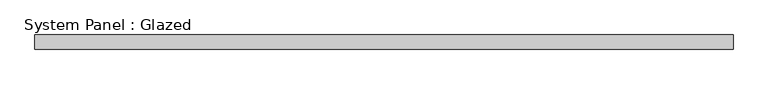
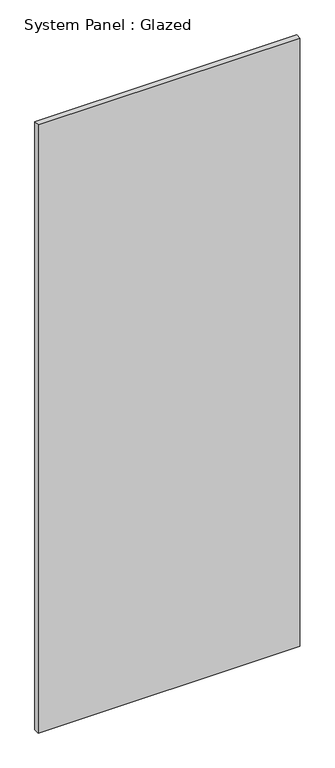
"""IFC4 building model written with IfcOpenShell, lengths in millimetres: plate geometry, System Panel : Glazed."""

import ifcopenshell
import ifcopenshell.guid

model = None  # the IFC model being written
_history = None  # IfcOwnerHistory: only IFC2X3 demands one
_inside = {}  # id of a spatial element -> (the spatial element, [elements in it])
_under = {}  # id of a project, library or spatial element -> (it, [spatial elements below it])
_declared = {}  # id of a project -> (the project, [libraries it declares])
_typed = {}  # id of a type object -> (the type object, [elements of that type])
_made_of = {}  # id of a material, layer set ... -> (it, [elements and type objects made of it])


def new_model(schema):
    """Start an empty IFC model of exactly this schema.

    Asked for "IFC4X3", IfcOpenShell would pick the latest addendum, in which some entities
    have other attributes; the version numbers below select the first issue.
    IFC2X3 requires an IfcOwnerHistory on every rooted entity: one is made here for all.
    """
    global model, _history
    if schema == "IFC4X3":
        model = ifcopenshell.file(schema_version=(4, 3, 0, 0))
    else:
        model = ifcopenshell.file(schema=schema)
    _inside.clear()
    _under.clear()
    _declared.clear()
    _typed.clear()
    _made_of.clear()
    _history = None
    if model.schema == "IFC2X3":
        org = make("IfcOrganization", Name="unknown")
        user = make(
            "IfcPersonAndOrganization",
            ThePerson=make("IfcPerson", FamilyName="unknown"),
            TheOrganization=org,
        )
        app = make(
            "IfcApplication",
            ApplicationDeveloper=org,
            Version="unknown",
            ApplicationFullName="unknown",
            ApplicationIdentifier="unknown",
        )
        _history = make(
            "IfcOwnerHistory",
            OwningUser=user,
            OwningApplication=app,
            ChangeAction="ADDED",
            CreationDate=0,
        )
    return model


def make(cls, **values):
    """One entity of the class cls with the attributes given. An attribute that is None is left unset."""
    return model.create_entity(
        cls, **{name: value for name, value in values.items() if value is not None}
    )


def rooted(cls, **values):
    """An entity with a GlobalId (a new one), such as an element, a storey or a relation."""
    return make(cls, GlobalId=ifcopenshell.guid.new(), OwnerHistory=_history, **values)


def si_unit(unit_type, name, prefix=None):
    """IfcSIUnit, for example si_unit("LENGTHUNIT", "METRE", prefix="MILLI")."""
    return make("IfcSIUnit", UnitType=unit_type, Prefix=prefix, Name=name)


def assignment(units):
    """IfcUnitAssignment: the units of a project."""
    return None if units is None else make("IfcUnitAssignment", Units=units)


def point(xyz):
    """IfcCartesianPoint."""
    return None if xyz is None else make("IfcCartesianPoint", Coordinates=xyz)


def direction(xyz):
    """IfcDirection."""
    return None if xyz is None else make("IfcDirection", DirectionRatios=xyz)


def frame(location, z_axis=None, x_axis=None):
    """IfcAxis2Placement3D, a coordinate frame: its origin and axes. An axis left out is left unset."""
    return make(
        "IfcAxis2Placement3D",
        Location=point(location),
        Axis=direction(z_axis),
        RefDirection=direction(x_axis),
    )


def origin():
    """The frame at (0, 0, 0) with its axes left unset."""
    return frame((0.0, 0.0, 0.0))


def origin_with_axes():
    """The frame at (0, 0, 0) with the z axis (0, 0, 1) and the x axis (1, 0, 0) written out."""
    return frame((0.0, 0.0, 0.0), z_axis=(0.0, 0.0, 1.0), x_axis=(1.0, 0.0, 0.0))


def place(relative_to, where):
    """IfcLocalPlacement: puts the frame where relative to a parent placement (None: the world)."""
    return make(
        "IfcLocalPlacement", PlacementRelTo=relative_to, RelativePlacement=where
    )


def context(
    kind, dimensions, precision=None, world=None, true_north=None, identifier=None
):
    """IfcGeometricRepresentationContext, for example the 3D "Model" context."""
    return make(
        "IfcGeometricRepresentationContext",
        ContextIdentifier=identifier,
        ContextType=kind,
        CoordinateSpaceDimension=dimensions,
        Precision=precision,
        WorldCoordinateSystem=world,
        TrueNorth=true_north,
    )


def project(units=None, contexts=None):
    """IfcProject with its units and contexts."""
    return rooted(
        "IfcProject",
        Name="project",
        RepresentationContexts=contexts,
        UnitsInContext=assignment(units),
    )


def spatial(cls, under=None, at=None, **own):
    """A site, building, storey or space (cls), placed at a placement, below another one or the project."""
    s = rooted(cls, ObjectPlacement=at, **own)
    if under is not None:
        _under.setdefault(under.id(), (under, []))[1].append(s)
    return s


def polyline(points):
    """IfcPolyline through the points."""
    return make("IfcPolyline", Points=[point(p) for p in points])


def outline(outer, holes=None, kind="AREA"):
    """IfcArbitraryClosedProfileDef: a profile drawn as a closed curve; with holes, ...WithVoids."""
    if holes is None:
        return make("IfcArbitraryClosedProfileDef", ProfileType=kind, OuterCurve=outer)
    return make(
        "IfcArbitraryProfileDefWithVoids",
        ProfileType=kind,
        OuterCurve=outer,
        InnerCurves=holes,
    )


def extrude(swept, where, along, depth):
    """IfcExtrudedAreaSolid: the profile swept, set in the frame where, extruded along a direction by depth."""
    return make(
        "IfcExtrudedAreaSolid",
        SweptArea=swept,
        Position=where,
        ExtrudedDirection=direction(along),
        Depth=depth,
    )


def shape(context_of_items, identifier, shape_type, items):
    """IfcShapeRepresentation: the items that make up one representation, for example the "Body"."""
    return make(
        "IfcShapeRepresentation",
        ContextOfItems=context_of_items,
        RepresentationIdentifier=identifier,
        RepresentationType=shape_type,
        Items=items,
    )


def source(mapping_origin, context_of_items, identifier, shape_type, items):
    """IfcRepresentationMap: a shape defined once, which mapped items show again and again."""
    return make(
        "IfcRepresentationMap",
        MappingOrigin=mapping_origin,
        MappedRepresentation=shape(context_of_items, identifier, shape_type, items),
    )


def transform(
    local_origin,
    x_axis=None,
    y_axis=None,
    z_axis=None,
    scale=None,
    scale2=None,
    scale3=None,
    uniform=True,
):
    """IfcCartesianTransformationOperator3D, or its non-uniform kind. x_axis, y_axis, z_axis: its Axis1, 2, 3."""
    if uniform:
        return make(
            "IfcCartesianTransformationOperator3D",
            Axis1=direction(x_axis),
            Axis2=direction(y_axis),
            LocalOrigin=point(local_origin),
            Scale=scale,
            Axis3=direction(z_axis),
        )
    return make(
        "IfcCartesianTransformationOperator3DnonUniform",
        Axis1=direction(x_axis),
        Axis2=direction(y_axis),
        LocalOrigin=point(local_origin),
        Scale=scale,
        Axis3=direction(z_axis),
        Scale2=scale2,
        Scale3=scale3,
    )


def mapped(mapping_source, mapping_target):
    """IfcMappedItem: shows the shape of a source again, moved by a transform."""
    return make(
        "IfcMappedItem", MappingSource=mapping_source, MappingTarget=mapping_target
    )


def made_of(thing, what):
    """Note that an element or type object is made of a material, layer set ...; save() writes the relation."""
    if what is not None:
        _made_of.setdefault(what.id(), (what, []))[1].append(thing)
    return thing


def element(
    cls,
    number,
    at=None,
    inside=None,
    cuts=None,
    type_object=None,
    material=None,
    context=None,
    identifier="Body",
    shape_type=None,
    held_by="IfcProductDefinitionShape",
    body=None,
    shapes=None,
    **own,
):
    """One element of the class cls, such as IfcWall. Its Tag is "e" and its number.

    at: its placement. inside: the storey or other place that contains it. cuts: it is an
    opening in that element (IfcRelVoidsElement). A single representation is given by context,
    identifier, shape_type and body (its items); several are given by shapes. held_by: the class
    of the entity that holds the representations. save() writes the other relations.
    """
    e = rooted(cls, Tag="e%d" % number, ObjectPlacement=at, **own)
    if body is not None:
        shapes = [shape(context, identifier, shape_type, body)]
    if shapes is not None:
        e.Representation = make(held_by, Representations=shapes)
    if inside is not None:
        _inside.setdefault(inside.id(), (inside, []))[1].append(e)
    if cuts is not None:
        rooted(
            "IfcRelVoidsElement", RelatingBuildingElement=cuts, RelatedOpeningElement=e
        )
    if type_object is not None:
        _typed.setdefault(type_object.id(), (type_object, []))[1].append(e)
    return made_of(e, material)


def aggregate(whole, parts):
    """IfcRelAggregates: a whole, such as a stair, and the parts it consists of."""
    return rooted("IfcRelAggregates", RelatingObject=whole, RelatedObjects=parts)


def save(model, path):
    """Write the relations noted so far, then the file.

    IfcRelAggregates (storeys below a building ...), IfcRelContainedInSpatialStructure (elements
    in a storey), IfcRelDefinesByType, IfcRelAssociatesMaterial and IfcRelDeclares: one each for
    every whole, place, type object, material and project.
    """
    for whole, parts in _under.values():
        aggregate(whole, parts)
    for where, things in _inside.values():
        rooted(
            "IfcRelContainedInSpatialStructure",
            RelatedElements=things,
            RelatingStructure=where,
        )
    for kind, things in _typed.values():
        rooted("IfcRelDefinesByType", RelatedObjects=things, RelatingType=kind)
    for what, things in _made_of.values():
        rooted("IfcRelAssociatesMaterial", RelatedObjects=things, RelatingMaterial=what)
    for by, libraries in _declared.values():
        rooted("IfcRelDeclares", RelatingContext=by, RelatedDefinitions=libraries)
    model.write(path)


def system_panel_glazed_29c59f0d(model_context):
    return source(origin(), model_context, "Body", "SweptSolid", [
        extrude(outline(polyline([(609.6, 0.0), (-609.6, 0.0), (-609.6, 25.4), (609.6, 25.4), (609.6, 0.0)])), origin_with_axes(), (0.0, 0.0, 1.0), 2997.1999998),
    ])


if __name__ == "__main__":
    model = new_model("IFC4")
    model_context = context("Model", 3, world=origin())
    ifc_project = project(units=[si_unit("LENGTHUNIT", "METRE", prefix="MILLI")], contexts=[model_context])
    site = spatial("IfcSite", under=ifc_project)
    building = spatial("IfcBuilding", under=site)
    placement = place(None, origin())
    system_panel_glazed_shape = system_panel_glazed_29c59f0d(model_context)
    element("IfcPlate", 1, ObjectType="System Panel : Glazed", at=placement, inside=building, context=model_context, shape_type="MappedRepresentation", body=[
        mapped(system_panel_glazed_shape, transform((0.0, 0.0, 0.0), x_axis=(1.0, 0.0, 0.0), y_axis=(0.0, 1.0, 0.0), z_axis=(0.0, 0.0, 1.0))),
    ])
    save(model, "model.ifc")
